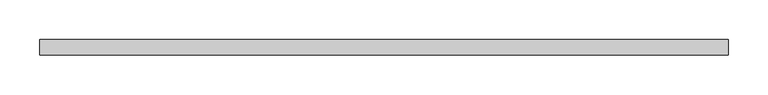
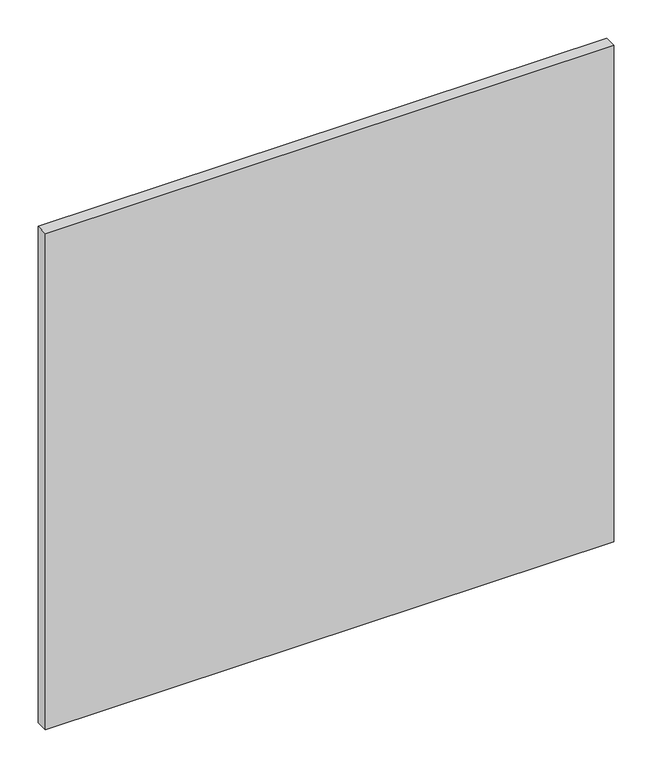
"""IFC4 building model written with IfcOpenShell, lengths in millimetres: proxy geometry."""

from ifc_helpers import new_model, si_unit, frame, origin, place, context, project, spatial, polyline, outline, extrude, source, transform, mapped, element, save


def specialty_equipment_e004ad51(model_context):
    return source(origin(), model_context, "Body", "SweptSolid", [
        extrude(outline(polyline([(431.199949, 0.0), (-431.199949, 0.0), (-431.199949, 19.05), (431.199949, 19.05), (431.199949, 0.0)])), frame((0.0, 0.0, 3.175), z_axis=(0.0, 0.0, 1.0), x_axis=(1.0, 0.0, 0.0)), (0.0, 0.0, 1.0), 796.0868001),
    ])


if __name__ == "__main__":
    model = new_model("IFC4")
    model_context = context("Model", 3, world=origin())
    ifc_project = project(units=[si_unit("LENGTHUNIT", "METRE", prefix="MILLI")], contexts=[model_context])
    site = spatial("IfcSite", under=ifc_project)
    building = spatial("IfcBuilding", under=site)
    placement = place(None, origin())
    specialty_equipment_shape = specialty_equipment_e004ad51(model_context)
    element("IfcBuildingElementProxy", 1, Name="Specialty Equipment", at=placement, inside=building, context=model_context, shape_type="MappedRepresentation", body=[
        mapped(specialty_equipment_shape, transform((0.0, 0.0, 0.0), x_axis=(1.0, 0.0, 0.0), y_axis=(0.0, 1.0, 0.0), z_axis=(0.0, 0.0, 1.0))),
    ])
    save(model, "model.ifc")
